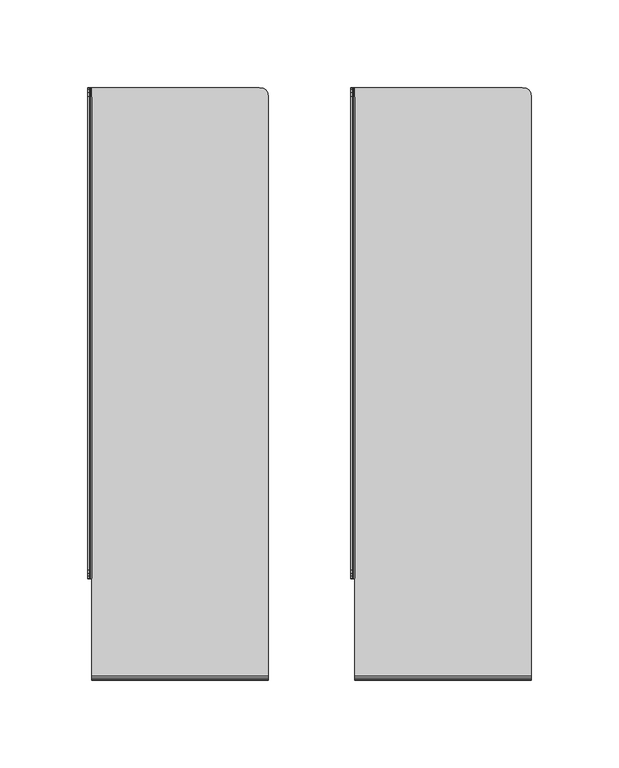
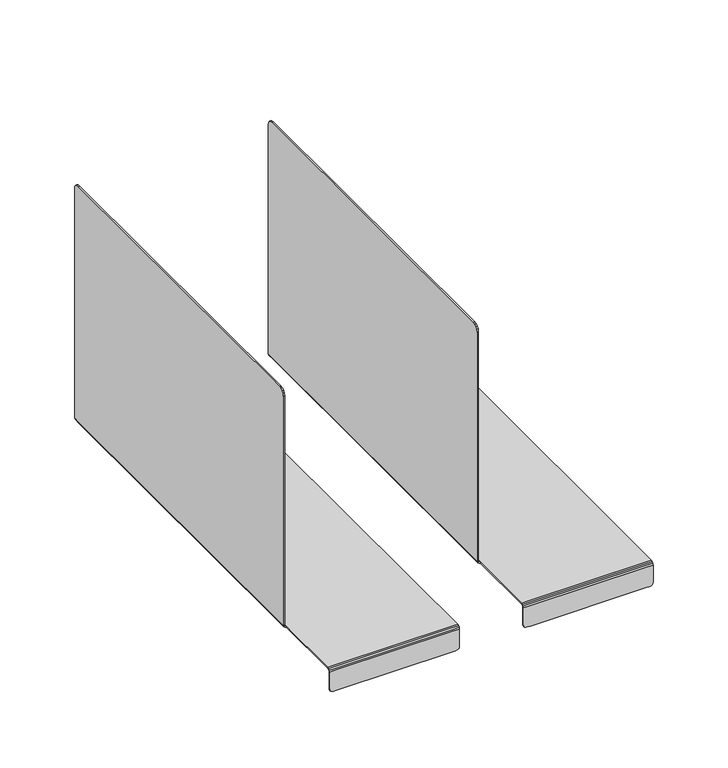
"""IFC4 building model written with IfcOpenShell, lengths in millimetres: furniture geometry."""

from ifc_helpers import new_model, si_unit, origin, place, context, project, spatial, triangles, source, transform, mapped, element, save


def furniture_e0d32ba0(model_context):
    return source(origin(), model_context, "Body", "Tessellation", [
        triangles([(-218.9999974, -334.8707585, 711.7688656), (-218.9999974, -334.8688146, 706.636816), (-218.9999974, -65.1285748, 706.636816), (-218.9999974, -65.1285748, 711.7688656), (-218.9999974, -59.9977154, 706.636816), (-218.9999974, -59.9977154, 519.2627017), (-219.9990209, -59.9977154, 519.2688787), (-219.9990209, -59.9977154, 706.636816), (-219.9990209, -65.1285748, 711.7688656), (-219.9990209, -334.8707585, 711.7688656), (-219.9990209, -65.1285748, 519.2688787), (-219.9990209, -65.1285748, 706.636816), (-217.6005833, -59.9977154, 516.7688859), (-217.6005833, -65.1285748, 516.7688859), (-218.7373021, -65.1285748, 517.0971907), (-218.7373021, -59.9977154, 517.0971907), (-217.6005833, -340.0016227, 516.7688859), (-217.6044896, -340.0016227, 517.7697514), (-218.3076146, -340.0016227, 518.0045481), (-218.7373021, -340.0016227, 517.0971907), (-217.6005833, -334.8688146, 516.7688859), (-214.636716, -334.8688146, 516.7688859), (-214.636716, -340.0016227, 516.7688859), (-217.6044896, -65.1285748, 517.7697332), (-214.636716, -65.1285748, 517.7697332), (-214.636716, -59.9977154, 517.7697332), (-217.6044896, -59.9977154, 517.7697332), (-214.636716, -59.9977154, 516.7688859), (-117.0986294, -395.4977083, 517.7696787), (-117.0986294, -395.4977083, 516.7688314), (-117.0986294, -340.0016227, 516.7688496), (-117.0986294, -340.0016227, 517.7697151), (-122.2255876, -395.4977083, 516.7688314), (-122.2255876, -340.0016227, 516.7688496), (-217.6005833, -395.4977083, 516.7688859), (-217.6005833, -395.4977083, 517.7697514), (-214.636716, -395.4977083, 517.7697514), (-214.636716, -340.0016227, 517.7697514), (-217.6005833, -397.9977011, 501.6496416), (-214.636716, -397.9977011, 501.6665919), (-214.636716, -397.9977011, 515.2621283), (-217.6005833, -397.9977011, 515.2621283), (-117.0986294, -397.0953579, 501.6369062), (-122.2255876, -397.0953579, 501.6412301), (-122.2255876, -397.0953579, 515.2758629), (-117.0986294, -397.0953579, 515.2758629), (-218.9999974, -62.8844341, 711.4481258), (-219.9990209, -62.8844341, 711.4481258), (-218.9999974, -340.0016227, 706.636816), (-218.9999974, -339.6813115, 708.8820857), (-219.9990209, -339.6813115, 708.8820857), (-219.9990209, -340.0016227, 706.636816), (-218.9999974, -61.2809186, 710.4858455), (-219.9990209, -61.2809186, 710.4858455), (-218.9999974, -60.3180277, 708.8820857), (-219.9990209, -60.3180277, 708.8820857), (-218.9999974, -338.7184161, 710.4858455), (-219.9990209, -338.7184161, 710.4858455), (-218.9999974, -337.1148984, 711.4481258), (-219.9990209, -337.1148984, 711.4481258), (-218.9999974, -65.1285748, 519.2627017), (-219.9990209, -334.8688146, 519.2688787), (-219.9990209, -334.8688146, 706.636816), (-117.0986294, -65.1285748, 517.7697151), (-117.0986294, -334.8688146, 517.7697151), (-117.0986294, -334.8688146, 516.7688496), (-117.0986294, -65.1285748, 516.7688496), (-218.7373021, -334.8688146, 517.0971907), (-122.2255876, -65.1285748, 516.7688496), (-118.380855, -61.2809186, 516.7688496), (-117.4199216, -62.8844341, 516.7688496), (-122.2255876, -65.1285748, 517.7697151), (-122.2255876, -334.8688146, 517.7697151), (-218.9999974, -334.8688146, 519.2627017), (-122.2255876, -334.8688146, 516.7688496), (-219.9990209, -340.0016227, 519.2688787), (-122.2255876, -340.0016227, 517.7697151), (-218.9999974, -340.0016227, 519.2627017), (-117.4199216, -62.8844341, 517.7697151), (-118.380855, -61.2809186, 517.7696969), (-119.9824196, -60.3180277, 516.7688496), (-119.9824196, -60.3180277, 517.7696969), (-122.2255876, -59.9977154, 516.7688496), (-122.2255876, -59.9977154, 517.7696969), (-212.3740208, -395.4977083, 516.7688859), (-212.3740208, -340.0016227, 516.7688859), (-122.2255876, -395.4977083, 517.7696969), (-122.2255876, -397.9977011, 501.6343446), (-117.0986294, -397.9977011, 501.6334907), (-117.0986294, -397.9977011, 515.262092), (-122.2255876, -397.9977011, 515.262092), (-212.3740208, -397.0953579, 501.6734774), (-212.3740208, -397.0953579, 515.2759174), (-212.3740208, -65.1285748, 516.7688859), (-212.3740208, -59.9977154, 516.7688859), (-212.3740208, -65.1285748, 517.7697332), (-212.3740208, -334.8688146, 517.7697514), (-212.3740208, -334.8688146, 516.7688859), (-212.3740208, -340.0016227, 517.7697514), (-212.3740208, -59.9977154, 517.7697332), (-212.3740208, -395.4977083, 517.7697514), (-212.3740208, -397.9977011, 501.6665919), (-212.3740208, -397.9977011, 515.2621283), (-214.636716, -395.4977083, 516.7688859), (-214.636716, -397.0953579, 501.6734774), (-214.636716, -397.0953579, 515.2759174), (-214.636716, -65.1285748, 516.7688859), (-214.636716, -334.8688146, 517.7697514), (-219.6503881, -65.1285748, 517.9948467), (-219.6503881, -59.9977154, 517.9948467), (-219.6503881, -334.8688146, 517.9948467), (-219.6503881, -340.0016227, 517.9948467), (-217.6044896, -334.8688146, 517.7697514), (-218.3076146, -334.8688146, 518.0045481), (-218.3076146, -59.9977154, 518.00453), (-218.3076146, -65.1285748, 518.00453), (-218.7646459, -334.8688146, 518.4617513), (-218.7646459, -340.0016227, 518.4617695), (-218.7646459, -59.9977154, 518.4617513), (-218.7646459, -65.1285748, 518.4617513), (-122.2255876, -396.8375612, 516.0340107), (-117.0986294, -396.8375612, 516.0340107), (-212.3740208, -396.8375612, 516.0340834), (-214.636716, -396.8375612, 516.0340834), (-122.2255876, -396.2848333, 516.5421556), (-117.0986294, -396.2848333, 516.5421374), (-212.3740208, -396.2848333, 516.5422101), (-214.636716, -396.2848333, 516.5422101), (-214.636716, -397.5934016, 516.500661), (-217.6005833, -397.5934016, 516.500661), (-117.0986294, -397.5934016, 516.5005883), (-122.2255876, -397.5934016, 516.5006065), (-212.3740208, -397.5934016, 516.500661), (-214.636716, -396.761403, 517.3360933), (-217.6005833, -396.761403, 517.3360933), (-117.0986294, -396.761403, 517.3360206), (-122.2255876, -396.761403, 517.3360388), (-212.3740208, -396.761403, 517.3360933), (-217.6005833, -396.2848333, 516.5422101), (-217.6005833, -396.8375612, 516.0340834), (-217.6005833, -397.0953579, 515.2759174), (-217.6005833, -397.0953579, 501.6530934), (-122.2255876, -397.0953579, 498.6688279), (-120.0625019, -397.0953579, 498.6688097), (-120.0625019, -397.9977011, 498.6688279), (-122.2255876, -397.9977011, 498.6688279), (-212.3740208, -397.0953579, 498.6689006), (-212.3740208, -397.9977011, 498.6689006), (-214.636716, -397.9977011, 498.6689006), (-214.636716, -397.0953579, 498.6689006), (-117.2841741, -397.9977011, 500.3378939), (-117.2841741, -397.0953579, 500.3378757), (-217.4150364, -397.0953579, 500.3379848), (-217.4150364, -397.9977011, 500.3379848), (-117.8398451, -397.9977011, 499.4106249), (-117.8398451, -397.0953579, 499.4106249), (-118.7665963, -397.9977011, 498.8542635), (-118.7665963, -397.0953579, 498.8542635), (-216.8593725, -397.0953579, 499.4107158), (-216.8593725, -397.9977011, 499.4107158), (-215.9335913, -397.0953579, 498.8543544), (-215.9335913, -397.9977011, 498.8543544)], [[1, 2, 3], [1, 3, 4], [5, 6, 7], [5, 7, 8], [1, 4, 9], [1, 9, 10], [7, 11, 12], [7, 12, 8], [13, 14, 15], [13, 15, 16], [17, 18, 19], [17, 19, 20], [21, 22, 23], [21, 23, 17], [24, 25, 26], [24, 26, 27], [27, 26, 28], [27, 28, 13], [29, 30, 31], [29, 31, 32], [30, 33, 34], [30, 34, 31], [35, 36, 18], [35, 18, 17], [36, 37, 38], [36, 38, 18], [39, 40, 41], [39, 41, 42], [43, 44, 45], [43, 45, 46], [4, 47, 48], [4, 48, 9], [49, 50, 51], [49, 51, 52], [47, 53, 48], [53, 54, 48], [53, 55, 54], [55, 56, 54], [55, 5, 56], [5, 8, 56], [50, 57, 58], [50, 58, 51], [57, 59, 60], [57, 60, 58], [59, 1, 10], [59, 10, 60], [3, 61, 6], [3, 6, 5], [12, 54, 56], [12, 56, 8], [11, 62, 63], [11, 63, 12], [64, 65, 66], [64, 66, 67], [14, 21, 68], [14, 68, 15], [69, 70, 71], [69, 71, 67], [72, 73, 65], [72, 65, 64], [3, 2, 74], [3, 74, 61], [75, 69, 67], [75, 67, 66], [62, 76, 52], [62, 52, 63], [65, 32, 31], [65, 31, 66], [21, 17, 20], [21, 20, 68], [73, 77, 32], [73, 32, 65], [2, 49, 78], [2, 78, 74], [1, 59, 57], [1, 57, 2], [63, 58, 60], [63, 60, 10], [3, 53, 47], [3, 47, 4], [12, 63, 10], [12, 10, 9], [12, 9, 48], [12, 48, 54], [3, 5, 55], [3, 55, 53], [57, 50, 49], [57, 49, 2], [63, 52, 51], [63, 51, 58], [67, 71, 79], [67, 79, 64], [71, 70, 80], [71, 80, 79], [70, 81, 82], [70, 82, 80], [81, 83, 84], [81, 84, 82], [75, 66, 31], [75, 31, 34], [72, 80, 82], [72, 82, 84], [33, 85, 86], [33, 86, 34], [87, 29, 32], [87, 32, 77], [88, 89, 90], [88, 90, 91], [44, 92, 93], [44, 93, 45], [69, 94, 95], [69, 95, 83], [72, 96, 97], [72, 97, 73], [75, 98, 94], [75, 94, 69], [73, 97, 99], [73, 99, 77], [69, 83, 81], [69, 81, 70], [72, 64, 79], [72, 79, 80], [98, 75, 34], [98, 34, 86], [96, 72, 84], [96, 84, 100], [100, 84, 83], [100, 83, 95], [101, 87, 77], [101, 77, 99], [102, 88, 91], [102, 91, 103], [85, 104, 23], [85, 23, 86], [92, 105, 106], [92, 106, 93], [94, 107, 28], [94, 28, 95], [96, 25, 108], [96, 108, 97], [98, 22, 107], [98, 107, 94], [97, 108, 38], [97, 38, 99], [15, 109, 110], [15, 110, 16], [109, 11, 7], [109, 7, 110], [68, 111, 109], [68, 109, 15], [111, 62, 11], [111, 11, 109], [20, 112, 111], [20, 111, 68], [112, 76, 62], [112, 62, 111], [113, 114, 18], [114, 19, 18], [27, 115, 116], [27, 116, 24], [24, 116, 114], [24, 114, 113], [114, 117, 19], [117, 118, 19], [117, 74, 118], [74, 78, 118], [115, 119, 120], [115, 120, 116], [119, 6, 61], [119, 61, 120], [116, 120, 117], [116, 117, 114], [120, 61, 74], [120, 74, 117], [119, 115, 16], [119, 16, 110], [118, 78, 112], [78, 76, 112], [19, 118, 112], [19, 112, 20], [115, 27, 13], [115, 13, 16], [6, 119, 110], [6, 110, 7], [78, 49, 52], [78, 52, 76], [45, 121, 46], [121, 122, 46], [93, 123, 121], [93, 121, 45], [106, 124, 93], [124, 123, 93], [121, 125, 122], [125, 126, 122], [125, 33, 126], [33, 30, 126], [123, 127, 125], [123, 125, 121], [127, 85, 33], [127, 33, 125], [124, 128, 123], [128, 127, 123], [128, 104, 127], [104, 85, 127], [41, 129, 130], [41, 130, 42], [90, 131, 132], [90, 132, 91], [91, 132, 133], [91, 133, 103], [129, 134, 135], [129, 135, 130], [134, 37, 36], [134, 36, 135], [131, 136, 137], [131, 137, 132], [136, 29, 87], [136, 87, 137], [132, 137, 138], [132, 138, 133], [137, 87, 101], [137, 101, 138], [136, 131, 122], [136, 122, 126], [139, 140, 130], [139, 130, 135], [29, 136, 126], [29, 126, 30], [35, 139, 135], [35, 135, 36], [131, 90, 122], [90, 46, 122], [140, 141, 42], [140, 42, 130], [90, 89, 46], [89, 43, 46], [141, 142, 39], [141, 39, 42], [143, 144, 145], [143, 145, 146], [147, 143, 146], [147, 146, 148], [149, 150, 148], [150, 147, 148], [89, 151, 43], [151, 152, 43], [142, 153, 154], [142, 154, 39], [151, 155, 152], [155, 156, 152], [155, 157, 156], [157, 158, 156], [157, 145, 144], [157, 144, 158], [153, 159, 160], [153, 160, 154], [159, 161, 162], [159, 162, 160], [161, 150, 149], [161, 149, 162], [22, 98, 86], [22, 86, 23], [25, 96, 100], [25, 100, 26], [26, 100, 95], [26, 95, 28], [37, 101, 38], [101, 99, 38], [40, 102, 41], [102, 103, 41], [104, 35, 17], [104, 17, 23], [105, 142, 141], [105, 141, 106], [107, 14, 13], [107, 13, 28], [25, 24, 113], [25, 113, 108], [22, 21, 14], [22, 14, 107], [108, 113, 18], [108, 18, 38], [106, 141, 140], [106, 140, 124], [124, 140, 139], [124, 139, 128], [128, 139, 35], [128, 35, 104], [41, 103, 129], [103, 133, 129], [129, 133, 134], [133, 138, 134], [134, 138, 37], [138, 101, 37], [39, 154, 160], [39, 160, 40], [43, 152, 156], [43, 156, 44], [88, 155, 151], [88, 151, 89], [44, 143, 147], [44, 147, 92], [102, 148, 146], [102, 146, 88], [92, 147, 150], [92, 150, 105], [40, 149, 148], [40, 148, 102], [105, 159, 153], [105, 153, 142], [160, 162, 149], [160, 149, 40], [105, 150, 161], [105, 161, 159], [156, 158, 144], [156, 144, 44], [88, 145, 157], [88, 157, 155], [144, 143, 44], [88, 146, 145]]),
        triangles([(-68.9999989, -334.8707553, 711.7688656), (-68.9999989, -334.8688114, 706.636816), (-68.9999989, -65.1285716, 706.636816), (-68.9999989, -65.1285716, 711.7688656), (-68.9999989, -59.9977123, 706.636816), (-68.9999989, -59.9977123, 519.2627017), (-69.9990224, -59.9977123, 519.2688787), (-69.9990224, -59.9977123, 706.636816), (-69.9990224, -65.1285716, 711.7688656), (-69.9990224, -334.8707553, 711.7688656), (-69.9990224, -65.1285716, 519.2688787), (-69.9990224, -65.1285716, 706.636816), (-67.6005848, -59.9977123, 516.7688859), (-67.6005848, -65.1285716, 516.7688859), (-68.7373036, -65.1285716, 517.0971907), (-68.7373036, -59.9977123, 517.0971907), (-67.6005848, -340.0016195, 516.7688859), (-67.6044911, -340.0016195, 517.7697514), (-68.3076161, -340.0016195, 518.0045481), (-68.7373036, -340.0016195, 517.0971907), (-67.6005848, -334.8688114, 516.7688859), (-64.6367174, -334.8688114, 516.7688859), (-64.6367174, -340.0016195, 516.7688859), (-67.6044911, -65.1285716, 517.7697332), (-64.6367174, -65.1285716, 517.7697332), (-64.6367174, -59.9977123, 517.7697332), (-67.6044911, -59.9977123, 517.7697332), (-64.6367174, -59.9977123, 516.7688859), (32.9013691, -395.4977052, 517.7696787), (32.9013691, -395.4977052, 516.7688314), (32.9013691, -340.0016195, 516.7688496), (32.9013691, -340.0016195, 517.7697151), (27.7744109, -395.4977052, 516.7688314), (27.7744109, -340.0016195, 516.7688496), (-67.6005848, -395.4977052, 516.7688859), (-67.6005848, -395.4977052, 517.7697514), (-64.6367174, -395.4977052, 517.7697514), (-64.6367174, -340.0016195, 517.7697514), (-67.6005848, -397.9976979, 501.6496416), (-64.6367174, -397.9976979, 501.6665919), (-64.6367174, -397.9976979, 515.2621283), (-67.6005848, -397.9976979, 515.2621283), (32.9013691, -397.0953548, 501.6369062), (27.7744109, -397.0953548, 501.6412301), (27.7744109, -397.0953548, 515.2758629), (32.9013691, -397.0953548, 515.2758629), (-68.9999989, -62.8844309, 711.4481258), (-69.9990224, -62.8844309, 711.4481258), (-68.9999989, -340.0016195, 706.636816), (-68.9999989, -339.6813084, 708.8820857), (-69.9990224, -339.6813084, 708.8820857), (-69.9990224, -340.0016195, 706.636816), (-68.9999989, -61.2809154, 710.4858455), (-69.9990224, -61.2809154, 710.4858455), (-68.9999989, -60.3180245, 708.8820857), (-69.9990224, -60.3180245, 708.8820857), (-68.9999989, -338.7184129, 710.4858455), (-69.9990224, -338.7184129, 710.4858455), (-68.9999989, -337.1148953, 711.4481258), (-69.9990224, -337.1148953, 711.4481258), (-68.9999989, -65.1285716, 519.2627017), (-69.9990224, -334.8688114, 519.2688787), (-69.9990224, -334.8688114, 706.636816), (32.9013691, -65.1285716, 517.7697151), (32.9013691, -334.8688114, 517.7697151), (32.9013691, -334.8688114, 516.7688496), (32.9013691, -65.1285716, 516.7688496), (-68.7373036, -334.8688114, 517.0971907), (27.7744109, -65.1285716, 516.7688496), (31.6191436, -61.2809154, 516.7688496), (32.5800769, -62.8844309, 516.7688496), (27.7744109, -65.1285716, 517.7697151), (27.7744109, -334.8688114, 517.7697151), (-68.9999989, -334.8688114, 519.2627017), (27.7744109, -334.8688114, 516.7688496), (-69.9990224, -340.0016195, 519.2688787), (27.7744109, -340.0016195, 517.7697151), (-68.9999989, -340.0016195, 519.2627017), (32.5800769, -62.8844309, 517.7697151), (31.6191436, -61.2809154, 517.7696969), (30.0175789, -60.3180245, 516.7688496), (30.0175789, -60.3180245, 517.7696969), (27.7744109, -59.9977123, 516.7688496), (27.7744109, -59.9977123, 517.7696969), (-62.3740223, -395.4977052, 516.7688859), (-62.3740223, -340.0016195, 516.7688859), (27.7744109, -395.4977052, 517.7696969), (27.7744109, -397.9976979, 501.6343446), (32.9013691, -397.9976979, 501.6334907), (32.9013691, -397.9976979, 515.262092), (27.7744109, -397.9976979, 515.262092), (-62.3740223, -397.0953548, 501.6734774), (-62.3740223, -397.0953548, 515.2759174), (-62.3740223, -65.1285716, 516.7688859), (-62.3740223, -59.9977123, 516.7688859), (-62.3740223, -65.1285716, 517.7697332), (-62.3740223, -334.8688114, 517.7697514), (-62.3740223, -334.8688114, 516.7688859), (-62.3740223, -340.0016195, 517.7697514), (-62.3740223, -59.9977123, 517.7697332), (-62.3740223, -395.4977052, 517.7697514), (-62.3740223, -397.9976979, 501.6665919), (-62.3740223, -397.9976979, 515.2621283), (-64.6367174, -395.4977052, 516.7688859), (-64.6367174, -397.0953548, 501.6734774), (-64.6367174, -397.0953548, 515.2759174), (-64.6367174, -65.1285716, 516.7688859), (-64.6367174, -334.8688114, 517.7697514), (-69.6503896, -65.1285716, 517.9948467), (-69.6503896, -59.9977123, 517.9948467), (-69.6503896, -334.8688114, 517.9948467), (-69.6503896, -340.0016195, 517.9948467), (-67.6044911, -334.8688114, 517.7697514), (-68.3076161, -334.8688114, 518.0045481), (-68.3076161, -59.9977123, 518.00453), (-68.3076161, -65.1285716, 518.00453), (-68.7646474, -334.8688114, 518.4617513), (-68.7646474, -340.0016195, 518.4617695), (-68.7646474, -59.9977123, 518.4617513), (-68.7646474, -65.1285716, 518.4617513), (27.7744109, -396.837558, 516.0340107), (32.9013691, -396.837558, 516.0340107), (-62.3740223, -396.837558, 516.0340834), (-64.6367174, -396.837558, 516.0340834), (27.7744109, -396.2848301, 516.5421556), (32.9013691, -396.2848301, 516.5421374), (-62.3740223, -396.2848301, 516.5422101), (-64.6367174, -396.2848301, 516.5422101), (-64.6367174, -397.5933985, 516.500661), (-67.6005848, -397.5933985, 516.500661), (32.9013691, -397.5933985, 516.5005883), (27.7744109, -397.5933985, 516.5006065), (-62.3740223, -397.5933985, 516.500661), (-64.6367174, -396.7613999, 517.3360933), (-67.6005848, -396.7613999, 517.3360933), (32.9013691, -396.7613999, 517.3360206), (27.7744109, -396.7613999, 517.3360388), (-62.3740223, -396.7613999, 517.3360933), (-67.6005848, -396.2848301, 516.5422101), (-67.6005848, -396.837558, 516.0340834), (-67.6005848, -397.0953548, 515.2759174), (-67.6005848, -397.0953548, 501.6530934), (27.7744109, -397.0953548, 498.6688279), (29.9374966, -397.0953548, 498.6688097), (29.9374966, -397.9976979, 498.6688279), (27.7744109, -397.9976979, 498.6688279), (-62.3740223, -397.0953548, 498.6689006), (-62.3740223, -397.9976979, 498.6689006), (-64.6367174, -397.9976979, 498.6689006), (-64.6367174, -397.0953548, 498.6689006), (32.7158244, -397.9976979, 500.3378939), (32.7158244, -397.0953548, 500.3378757), (-67.4150379, -397.0953548, 500.3379848), (-67.4150379, -397.9976979, 500.3379848), (32.1601534, -397.9976979, 499.4106249), (32.1601534, -397.0953548, 499.4106249), (31.2334022, -397.9976979, 498.8542635), (31.2334022, -397.0953548, 498.8542635), (-66.859374, -397.0953548, 499.4107158), (-66.859374, -397.9976979, 499.4107158), (-65.9335928, -397.0953548, 498.8543544), (-65.9335928, -397.9976979, 498.8543544)], [[1, 2, 3], [1, 3, 4], [5, 6, 7], [5, 7, 8], [1, 4, 9], [1, 9, 10], [7, 11, 12], [7, 12, 8], [13, 14, 15], [13, 15, 16], [17, 18, 19], [17, 19, 20], [21, 22, 23], [21, 23, 17], [24, 25, 26], [24, 26, 27], [27, 26, 28], [27, 28, 13], [29, 30, 31], [29, 31, 32], [30, 33, 34], [30, 34, 31], [35, 36, 18], [35, 18, 17], [36, 37, 38], [36, 38, 18], [39, 40, 41], [39, 41, 42], [43, 44, 45], [43, 45, 46], [4, 47, 48], [4, 48, 9], [49, 50, 51], [49, 51, 52], [47, 53, 48], [53, 54, 48], [53, 55, 54], [55, 56, 54], [55, 5, 56], [5, 8, 56], [50, 57, 58], [50, 58, 51], [57, 59, 60], [57, 60, 58], [59, 1, 10], [59, 10, 60], [3, 61, 6], [3, 6, 5], [12, 54, 56], [12, 56, 8], [11, 62, 63], [11, 63, 12], [64, 65, 66], [64, 66, 67], [14, 21, 68], [14, 68, 15], [69, 70, 71], [69, 71, 67], [72, 73, 65], [72, 65, 64], [3, 2, 74], [3, 74, 61], [75, 69, 67], [75, 67, 66], [62, 76, 52], [62, 52, 63], [65, 32, 31], [65, 31, 66], [21, 17, 20], [21, 20, 68], [73, 77, 32], [73, 32, 65], [2, 49, 78], [2, 78, 74], [1, 59, 57], [1, 57, 2], [63, 58, 60], [63, 60, 10], [3, 53, 47], [3, 47, 4], [12, 63, 10], [12, 10, 9], [12, 9, 48], [12, 48, 54], [3, 5, 55], [3, 55, 53], [57, 50, 49], [57, 49, 2], [63, 52, 51], [63, 51, 58], [67, 71, 79], [67, 79, 64], [71, 70, 80], [71, 80, 79], [70, 81, 82], [70, 82, 80], [81, 83, 84], [81, 84, 82], [75, 66, 31], [75, 31, 34], [72, 80, 82], [72, 82, 84], [33, 85, 86], [33, 86, 34], [87, 29, 32], [87, 32, 77], [88, 89, 90], [88, 90, 91], [44, 92, 93], [44, 93, 45], [69, 94, 95], [69, 95, 83], [72, 96, 97], [72, 97, 73], [75, 98, 94], [75, 94, 69], [73, 97, 99], [73, 99, 77], [69, 83, 81], [69, 81, 70], [72, 64, 79], [72, 79, 80], [98, 75, 34], [98, 34, 86], [96, 72, 84], [96, 84, 100], [100, 84, 83], [100, 83, 95], [101, 87, 77], [101, 77, 99], [102, 88, 91], [102, 91, 103], [85, 104, 23], [85, 23, 86], [92, 105, 106], [92, 106, 93], [94, 107, 28], [94, 28, 95], [96, 25, 108], [96, 108, 97], [98, 22, 107], [98, 107, 94], [97, 108, 38], [97, 38, 99], [15, 109, 110], [15, 110, 16], [109, 11, 7], [109, 7, 110], [68, 111, 109], [68, 109, 15], [111, 62, 11], [111, 11, 109], [20, 112, 111], [20, 111, 68], [112, 76, 62], [112, 62, 111], [113, 114, 18], [114, 19, 18], [27, 115, 116], [27, 116, 24], [24, 116, 114], [24, 114, 113], [114, 117, 19], [117, 118, 19], [117, 74, 118], [74, 78, 118], [115, 119, 120], [115, 120, 116], [119, 6, 61], [119, 61, 120], [116, 120, 117], [116, 117, 114], [120, 61, 74], [120, 74, 117], [119, 115, 16], [119, 16, 110], [118, 78, 112], [78, 76, 112], [19, 118, 112], [19, 112, 20], [115, 27, 13], [115, 13, 16], [6, 119, 110], [6, 110, 7], [78, 49, 52], [78, 52, 76], [45, 121, 46], [121, 122, 46], [93, 123, 121], [93, 121, 45], [106, 124, 93], [124, 123, 93], [121, 125, 122], [125, 126, 122], [125, 33, 126], [33, 30, 126], [123, 127, 125], [123, 125, 121], [127, 85, 33], [127, 33, 125], [124, 128, 123], [128, 127, 123], [128, 104, 127], [104, 85, 127], [41, 129, 130], [41, 130, 42], [90, 131, 132], [90, 132, 91], [91, 132, 133], [91, 133, 103], [129, 134, 135], [129, 135, 130], [134, 37, 36], [134, 36, 135], [131, 136, 137], [131, 137, 132], [136, 29, 87], [136, 87, 137], [132, 137, 138], [132, 138, 133], [137, 87, 101], [137, 101, 138], [136, 131, 122], [136, 122, 126], [139, 140, 130], [139, 130, 135], [29, 136, 126], [29, 126, 30], [35, 139, 135], [35, 135, 36], [131, 90, 122], [90, 46, 122], [140, 141, 42], [140, 42, 130], [90, 89, 46], [89, 43, 46], [141, 142, 39], [141, 39, 42], [143, 144, 145], [143, 145, 146], [147, 143, 146], [147, 146, 148], [149, 150, 148], [150, 147, 148], [89, 151, 43], [151, 152, 43], [142, 153, 154], [142, 154, 39], [151, 155, 152], [155, 156, 152], [155, 157, 156], [157, 158, 156], [157, 145, 144], [157, 144, 158], [153, 159, 160], [153, 160, 154], [159, 161, 162], [159, 162, 160], [161, 150, 149], [161, 149, 162], [22, 98, 86], [22, 86, 23], [25, 96, 100], [25, 100, 26], [26, 100, 95], [26, 95, 28], [37, 101, 38], [101, 99, 38], [40, 102, 41], [102, 103, 41], [104, 35, 17], [104, 17, 23], [105, 142, 141], [105, 141, 106], [107, 14, 13], [107, 13, 28], [25, 24, 113], [25, 113, 108], [22, 21, 14], [22, 14, 107], [108, 113, 18], [108, 18, 38], [106, 141, 140], [106, 140, 124], [124, 140, 139], [124, 139, 128], [128, 139, 35], [128, 35, 104], [41, 103, 129], [103, 133, 129], [129, 133, 134], [133, 138, 134], [134, 138, 37], [138, 101, 37], [39, 154, 160], [39, 160, 40], [43, 152, 156], [43, 156, 44], [88, 155, 151], [88, 151, 89], [44, 143, 147], [44, 147, 92], [102, 148, 146], [102, 146, 88], [92, 147, 150], [92, 150, 105], [40, 149, 148], [40, 148, 102], [105, 159, 153], [105, 153, 142], [160, 162, 149], [160, 149, 40], [105, 150, 161], [105, 161, 159], [156, 158, 144], [156, 144, 44], [88, 145, 157], [88, 157, 155], [144, 143, 44], [88, 146, 145]]),
    ])


if __name__ == "__main__":
    model = new_model("IFC4")
    model_context = context("Model", 3, world=origin())
    ifc_project = project(units=[si_unit("LENGTHUNIT", "METRE", prefix="MILLI")], contexts=[model_context])
    site = spatial("IfcSite", under=ifc_project)
    building = spatial("IfcBuilding", under=site)
    placement = place(None, origin())
    furniture_shape = furniture_e0d32ba0(model_context)
    element("IfcFurniture", 1, at=placement, inside=building, context=model_context, shape_type="MappedRepresentation", body=[
        mapped(furniture_shape, transform((0.0, 0.0, 0.0), x_axis=(1.0, 0.0, 0.0), y_axis=(0.0, 1.0, 0.0), z_axis=(0.0, 0.0, 1.0))),
    ])
    save(model, "model.ifc")
